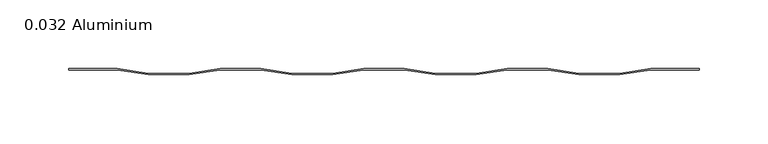
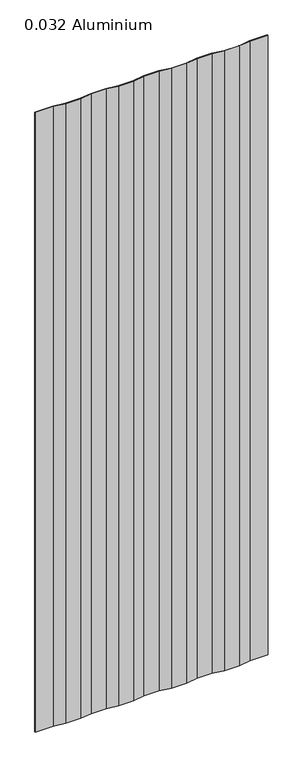
"""IFC4 building model written with IfcOpenShell, lengths in millimetres: plate geometry, 0.032 Aluminium."""

from ifc_helpers import new_model, si_unit, origin, origin_with_axes, place, context, project, spatial, polyline, outline, extrude, source, transform, mapped, element, save


def plate_0_032_aluminium_893c7c46(model_context):
    return source(origin(), model_context, "Body", "SweptSolid", [
        extrude(outline(polyline([(14.706393, 0.0), (-14.706393, 0.0), (-37.203173, -3.54838), (-66.870787, -3.54838), (-89.367567, 0.0), (-118.780353, 0.0), (-141.277133, -3.54838), (-170.944747, -3.54838), (-193.441527, 0.0), (-228.6, 0.0), (-228.6, 0.8128), (-193.37782, 0.8128), (-170.88104, -2.73558), (-141.34084, -2.73558), (-118.84406, 0.8128), (-89.30386, 0.8128), (-66.80708, -2.73558), (-37.26688, -2.73558), (-14.7701, 0.8128), (14.7701, 0.8128), (37.26688, -2.73558), (66.80708, -2.73558), (89.30386, 0.8128), (118.84406, 0.8128), (141.34084, -2.73558), (170.88104, -2.73558), (193.37782, 0.8128), (228.6, 0.8128), (228.6, 0.0), (193.441527, 0.0), (170.944747, -3.54838), (141.277133, -3.54838), (118.780353, 0.0), (89.367567, 0.0), (66.870787, -3.54838), (37.203173, -3.54838), (14.706393, 0.0)])), origin_with_axes(), (0.0, 0.0, 1.0), 1285.875),
    ])


if __name__ == "__main__":
    model = new_model("IFC4")
    model_context = context("Model", 3, world=origin())
    ifc_project = project(units=[si_unit("LENGTHUNIT", "METRE", prefix="MILLI")], contexts=[model_context])
    site = spatial("IfcSite", under=ifc_project)
    building = spatial("IfcBuilding", under=site)
    placement = place(None, origin())
    plate_0_032_aluminium_shape = plate_0_032_aluminium_893c7c46(model_context)
    element("IfcPlate", 1, ObjectType="0.032 Aluminium", at=placement, inside=building, context=model_context, shape_type="MappedRepresentation", body=[
        mapped(plate_0_032_aluminium_shape, transform((0.0, 0.0, 0.0), x_axis=(1.0, 0.0, 0.0), y_axis=(0.0, 1.0, 0.0), z_axis=(0.0, 0.0, 1.0))),
    ])
    save(model, "model.ifc")
